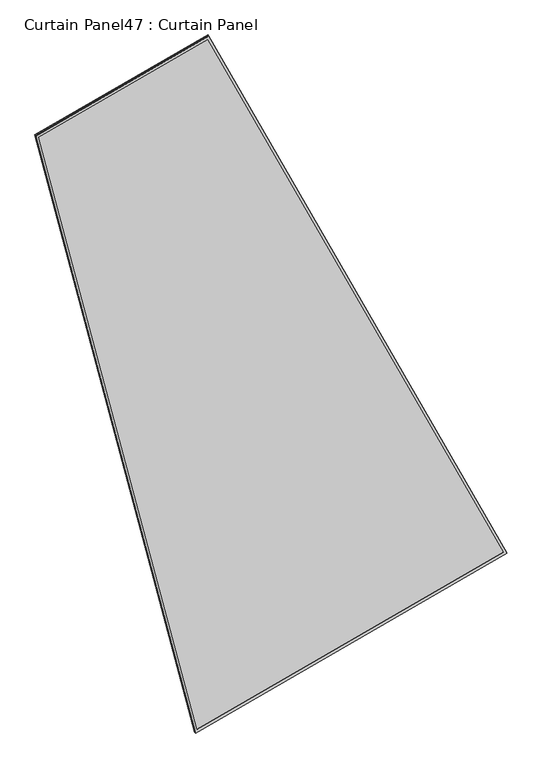
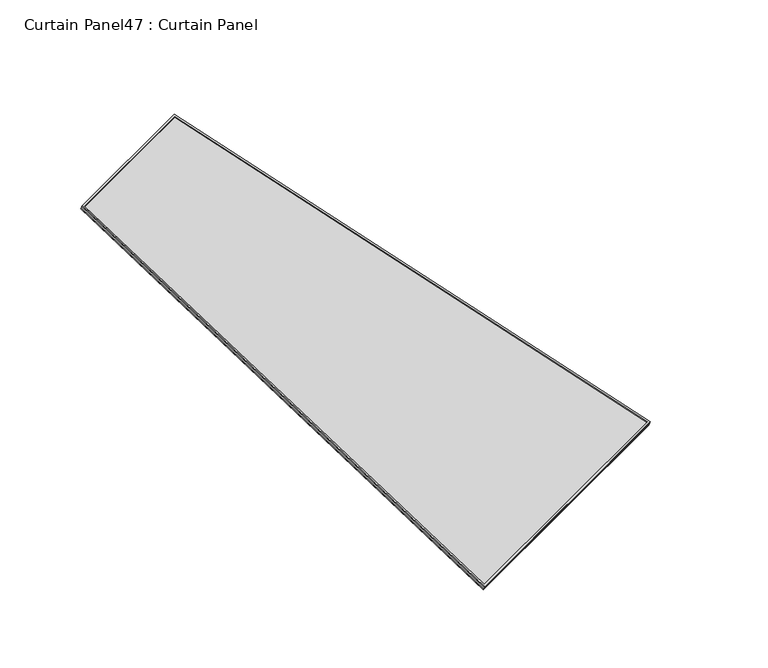
"""IFC4 building model written with IfcOpenShell, lengths in millimetres: plate geometry, Curtain Panel47 : Curtain Panel."""

import ifcopenshell
import ifcopenshell.guid

model = None  # the IFC model being written
_history = None  # IfcOwnerHistory: only IFC2X3 demands one
_inside = {}  # id of a spatial element -> (the spatial element, [elements in it])
_under = {}  # id of a project, library or spatial element -> (it, [spatial elements below it])
_declared = {}  # id of a project -> (the project, [libraries it declares])
_typed = {}  # id of a type object -> (the type object, [elements of that type])
_made_of = {}  # id of a material, layer set ... -> (it, [elements and type objects made of it])


def new_model(schema):
    """Start an empty IFC model of exactly this schema.

    Asked for "IFC4X3", IfcOpenShell would pick the latest addendum, in which some entities
    have other attributes; the version numbers below select the first issue.
    IFC2X3 requires an IfcOwnerHistory on every rooted entity: one is made here for all.
    """
    global model, _history
    if schema == "IFC4X3":
        model = ifcopenshell.file(schema_version=(4, 3, 0, 0))
    else:
        model = ifcopenshell.file(schema=schema)
    _inside.clear()
    _under.clear()
    _declared.clear()
    _typed.clear()
    _made_of.clear()
    _history = None
    if model.schema == "IFC2X3":
        org = make("IfcOrganization", Name="unknown")
        user = make(
            "IfcPersonAndOrganization",
            ThePerson=make("IfcPerson", FamilyName="unknown"),
            TheOrganization=org,
        )
        app = make(
            "IfcApplication",
            ApplicationDeveloper=org,
            Version="unknown",
            ApplicationFullName="unknown",
            ApplicationIdentifier="unknown",
        )
        _history = make(
            "IfcOwnerHistory",
            OwningUser=user,
            OwningApplication=app,
            ChangeAction="ADDED",
            CreationDate=0,
        )
    return model


def make(cls, **values):
    """One entity of the class cls with the attributes given. An attribute that is None is left unset."""
    return model.create_entity(
        cls, **{name: value for name, value in values.items() if value is not None}
    )


def rooted(cls, **values):
    """An entity with a GlobalId (a new one), such as an element, a storey or a relation."""
    return make(cls, GlobalId=ifcopenshell.guid.new(), OwnerHistory=_history, **values)


def si_unit(unit_type, name, prefix=None):
    """IfcSIUnit, for example si_unit("LENGTHUNIT", "METRE", prefix="MILLI")."""
    return make("IfcSIUnit", UnitType=unit_type, Prefix=prefix, Name=name)


def assignment(units):
    """IfcUnitAssignment: the units of a project."""
    return None if units is None else make("IfcUnitAssignment", Units=units)


def point(xyz):
    """IfcCartesianPoint."""
    return None if xyz is None else make("IfcCartesianPoint", Coordinates=xyz)


def direction(xyz):
    """IfcDirection."""
    return None if xyz is None else make("IfcDirection", DirectionRatios=xyz)


def frame(location, z_axis=None, x_axis=None):
    """IfcAxis2Placement3D, a coordinate frame: its origin and axes. An axis left out is left unset."""
    return make(
        "IfcAxis2Placement3D",
        Location=point(location),
        Axis=direction(z_axis),
        RefDirection=direction(x_axis),
    )


def origin():
    """The frame at (0, 0, 0) with its axes left unset."""
    return frame((0.0, 0.0, 0.0))


def place(relative_to, where):
    """IfcLocalPlacement: puts the frame where relative to a parent placement (None: the world)."""
    return make(
        "IfcLocalPlacement", PlacementRelTo=relative_to, RelativePlacement=where
    )


def context(
    kind, dimensions, precision=None, world=None, true_north=None, identifier=None
):
    """IfcGeometricRepresentationContext, for example the 3D "Model" context."""
    return make(
        "IfcGeometricRepresentationContext",
        ContextIdentifier=identifier,
        ContextType=kind,
        CoordinateSpaceDimension=dimensions,
        Precision=precision,
        WorldCoordinateSystem=world,
        TrueNorth=true_north,
    )


def project(units=None, contexts=None):
    """IfcProject with its units and contexts."""
    return rooted(
        "IfcProject",
        Name="project",
        RepresentationContexts=contexts,
        UnitsInContext=assignment(units),
    )


def spatial(cls, under=None, at=None, **own):
    """A site, building, storey or space (cls), placed at a placement, below another one or the project."""
    s = rooted(cls, ObjectPlacement=at, **own)
    if under is not None:
        _under.setdefault(under.id(), (under, []))[1].append(s)
    return s


def polyline(points):
    """IfcPolyline through the points."""
    return make("IfcPolyline", Points=[point(p) for p in points])


def outline(outer, holes=None, kind="AREA"):
    """IfcArbitraryClosedProfileDef: a profile drawn as a closed curve; with holes, ...WithVoids."""
    if holes is None:
        return make("IfcArbitraryClosedProfileDef", ProfileType=kind, OuterCurve=outer)
    return make(
        "IfcArbitraryProfileDefWithVoids",
        ProfileType=kind,
        OuterCurve=outer,
        InnerCurves=holes,
    )


def extrude(swept, where, along, depth):
    """IfcExtrudedAreaSolid: the profile swept, set in the frame where, extruded along a direction by depth."""
    return make(
        "IfcExtrudedAreaSolid",
        SweptArea=swept,
        Position=where,
        ExtrudedDirection=direction(along),
        Depth=depth,
    )


def shape(context_of_items, identifier, shape_type, items):
    """IfcShapeRepresentation: the items that make up one representation, for example the "Body"."""
    return make(
        "IfcShapeRepresentation",
        ContextOfItems=context_of_items,
        RepresentationIdentifier=identifier,
        RepresentationType=shape_type,
        Items=items,
    )


def source(mapping_origin, context_of_items, identifier, shape_type, items):
    """IfcRepresentationMap: a shape defined once, which mapped items show again and again."""
    return make(
        "IfcRepresentationMap",
        MappingOrigin=mapping_origin,
        MappedRepresentation=shape(context_of_items, identifier, shape_type, items),
    )


def transform(
    local_origin,
    x_axis=None,
    y_axis=None,
    z_axis=None,
    scale=None,
    scale2=None,
    scale3=None,
    uniform=True,
):
    """IfcCartesianTransformationOperator3D, or its non-uniform kind. x_axis, y_axis, z_axis: its Axis1, 2, 3."""
    if uniform:
        return make(
            "IfcCartesianTransformationOperator3D",
            Axis1=direction(x_axis),
            Axis2=direction(y_axis),
            LocalOrigin=point(local_origin),
            Scale=scale,
            Axis3=direction(z_axis),
        )
    return make(
        "IfcCartesianTransformationOperator3DnonUniform",
        Axis1=direction(x_axis),
        Axis2=direction(y_axis),
        LocalOrigin=point(local_origin),
        Scale=scale,
        Axis3=direction(z_axis),
        Scale2=scale2,
        Scale3=scale3,
    )


def mapped(mapping_source, mapping_target):
    """IfcMappedItem: shows the shape of a source again, moved by a transform."""
    return make(
        "IfcMappedItem", MappingSource=mapping_source, MappingTarget=mapping_target
    )


def made_of(thing, what):
    """Note that an element or type object is made of a material, layer set ...; save() writes the relation."""
    if what is not None:
        _made_of.setdefault(what.id(), (what, []))[1].append(thing)
    return thing


def element(
    cls,
    number,
    at=None,
    inside=None,
    cuts=None,
    type_object=None,
    material=None,
    context=None,
    identifier="Body",
    shape_type=None,
    held_by="IfcProductDefinitionShape",
    body=None,
    shapes=None,
    **own,
):
    """One element of the class cls, such as IfcWall. Its Tag is "e" and its number.

    at: its placement. inside: the storey or other place that contains it. cuts: it is an
    opening in that element (IfcRelVoidsElement). A single representation is given by context,
    identifier, shape_type and body (its items); several are given by shapes. held_by: the class
    of the entity that holds the representations. save() writes the other relations.
    """
    e = rooted(cls, Tag="e%d" % number, ObjectPlacement=at, **own)
    if body is not None:
        shapes = [shape(context, identifier, shape_type, body)]
    if shapes is not None:
        e.Representation = make(held_by, Representations=shapes)
    if inside is not None:
        _inside.setdefault(inside.id(), (inside, []))[1].append(e)
    if cuts is not None:
        rooted(
            "IfcRelVoidsElement", RelatingBuildingElement=cuts, RelatedOpeningElement=e
        )
    if type_object is not None:
        _typed.setdefault(type_object.id(), (type_object, []))[1].append(e)
    return made_of(e, material)


def aggregate(whole, parts):
    """IfcRelAggregates: a whole, such as a stair, and the parts it consists of."""
    return rooted("IfcRelAggregates", RelatingObject=whole, RelatedObjects=parts)


def save(model, path):
    """Write the relations noted so far, then the file.

    IfcRelAggregates (storeys below a building ...), IfcRelContainedInSpatialStructure (elements
    in a storey), IfcRelDefinesByType, IfcRelAssociatesMaterial and IfcRelDeclares: one each for
    every whole, place, type object, material and project.
    """
    for whole, parts in _under.values():
        aggregate(whole, parts)
    for where, things in _inside.values():
        rooted(
            "IfcRelContainedInSpatialStructure",
            RelatedElements=things,
            RelatingStructure=where,
        )
    for kind, things in _typed.values():
        rooted("IfcRelDefinesByType", RelatedObjects=things, RelatingType=kind)
    for what, things in _made_of.values():
        rooted("IfcRelAssociatesMaterial", RelatedObjects=things, RelatingMaterial=what)
    for by, libraries in _declared.values():
        rooted("IfcRelDeclares", RelatingContext=by, RelatedDefinitions=libraries)
    model.write(path)


def curtain_panel47_curtain_panel_d04d5deb(model_context):
    return source(origin(), model_context, "Body", "SweptSolid", [
        extrude(outline(polyline([(903.3982324, -2842.288964), (0.0, -2842.288964), (0.0, 0.0), (1625.9258266, 0.0), (903.3982324, -2842.288964)]), holes=[polyline([(1611.6350307, -11.1125), (11.1125001, -11.1125), (11.1125001, -2831.176464), (894.7571702, -2831.176464), (1611.6350307, -11.1125)])]), frame((16220.5402707, -7222.9323406, -9.1887106), z_axis=(0.15807291198690196, -0.2737903148616835, 0.948710608132913), x_axis=(-0.8660254037844459, -0.4999999999999875, 0.0)), (0.0, 0.0, 1.0), 4.8758541),
        extrude(outline(polyline([(903.3982323, -2842.2889639), (0.0, -2842.288964), (0.0, 0.0), (1625.9258265, 0.0), (903.3982323, -2842.2889639)]), holes=[polyline([(1611.6350306, -11.1125), (11.1125, -11.1125), (11.1125, -2831.176464), (894.7571702, -2831.176464), (1611.6350306, -11.1125)])]), frame((16217.7593003, -7218.1155587, -25.8793379), z_axis=(0.15807291198690457, -0.2737903148616878, 0.9487106081329113), x_axis=(-0.8660254037844458, -0.49999999999998773, 0.0)), (0.0, 0.0, 1.0), 4.7549713),
        extrude(outline(polyline([(12.7, 0.0), (1638.6258266, 0.0), (916.0982323, -2842.288964), (12.7, -2842.288964), (12.7, 0.0)])), frame((16229.5094551, -7213.0674238, -21.3682462), z_axis=(0.15807291198690063, -0.2737903148616807, 0.948710608132914), x_axis=(-0.8660254037844426, -0.4999999999999931, 0.0)), (0.0, 0.0, 1.0), 12.8379882),
    ])


if __name__ == "__main__":
    model = new_model("IFC4")
    model_context = context("Model", 3, world=origin())
    ifc_project = project(units=[si_unit("LENGTHUNIT", "METRE", prefix="MILLI")], contexts=[model_context])
    site = spatial("IfcSite", under=ifc_project)
    building = spatial("IfcBuilding", under=site)
    placement = place(None, origin())
    curtain_panel47_curtain_panel_shape = curtain_panel47_curtain_panel_d04d5deb(model_context)
    element("IfcPlate", 1, ObjectType="Curtain Panel47 : Curtain Panel", at=placement, inside=building, context=model_context, shape_type="MappedRepresentation", body=[
        mapped(curtain_panel47_curtain_panel_shape, transform((0.0, 0.0, 0.0), x_axis=(1.0, 0.0, 0.0), y_axis=(0.0, 1.0, 0.0), z_axis=(0.0, 0.0, 1.0))),
    ])
    save(model, "model.ifc")
